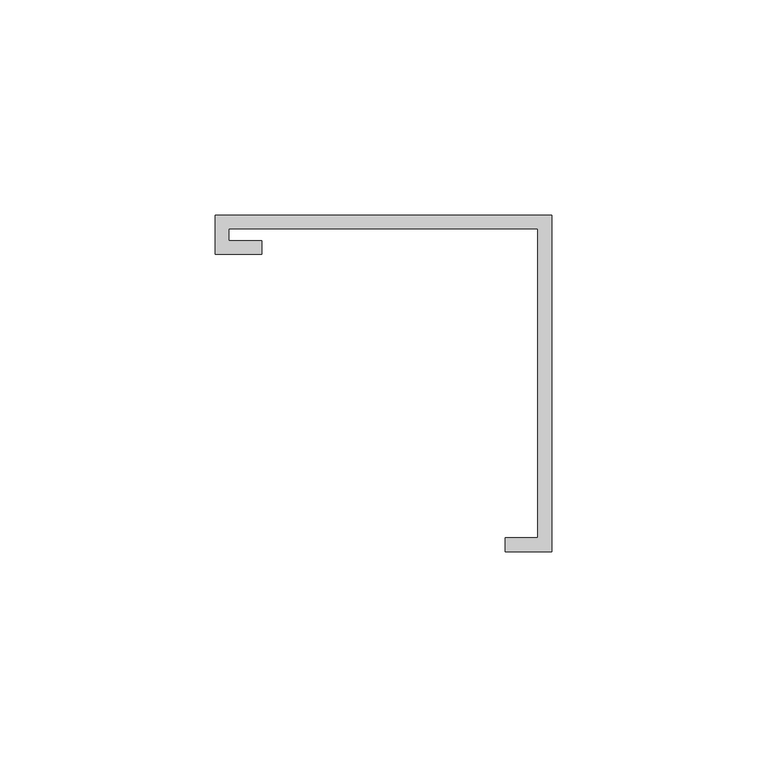
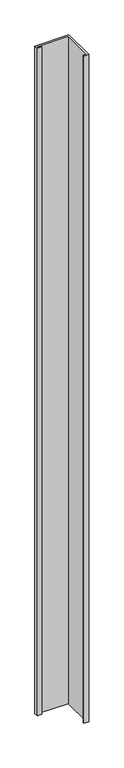
"""IFC4 building model written with IfcOpenShell, lengths in millimetres: furniture geometry."""

from ifc_helpers import new_model, si_unit, frame, origin, place, context, project, spatial, polyline, outline, extrude, source, transform, mapped, element, save


def furniture_8d7ad9ed(model_context):
    return source(origin(), model_context, "Body", "SweptSolid", [
        extrude(outline(polyline([(-39.0921875, 29.9735875), (-39.0921875, 39.0921875), (39.0921875, 39.0921875), (39.0921875, -39.0921875), (28.2971875, -39.0921875), (28.2971875, -35.9171875), (35.9171875, -35.9171875), (35.9171875, 35.9171875), (-35.9171875, 35.9171875), (-35.9171875, 33.1485875), (-28.2971875, 33.1485875), (-28.2971875, 29.9735875), (-39.0921875, 29.9735875)])), frame((0.0, 0.0, 877.8875), z_axis=(0.0, 0.0, 1.0), x_axis=(1.0, 0.0, 0.0)), (0.0, 0.0, 1.0), 1618.6546875),
    ])


if __name__ == "__main__":
    model = new_model("IFC4")
    model_context = context("Model", 3, world=origin())
    ifc_project = project(units=[si_unit("LENGTHUNIT", "METRE", prefix="MILLI")], contexts=[model_context])
    site = spatial("IfcSite", under=ifc_project)
    building = spatial("IfcBuilding", under=site)
    placement = place(None, origin())
    furniture_shape = furniture_8d7ad9ed(model_context)
    element("IfcFurniture", 1, at=placement, inside=building, context=model_context, shape_type="MappedRepresentation", body=[
        mapped(furniture_shape, transform((0.0, 0.0, 0.0), x_axis=(1.0, 0.0, 0.0), y_axis=(0.0, 1.0, 0.0), z_axis=(0.0, 0.0, 1.0))),
    ])
    save(model, "model.ifc")
